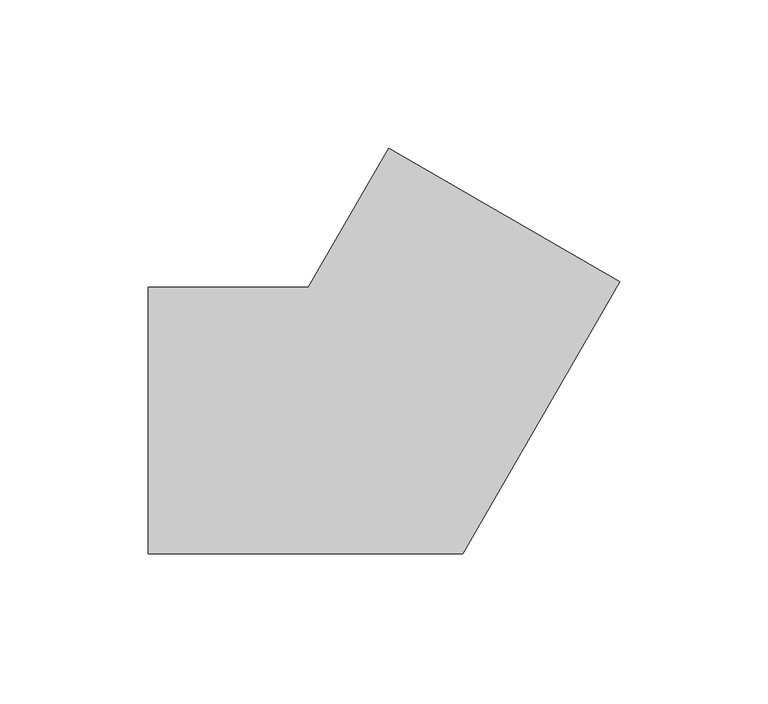
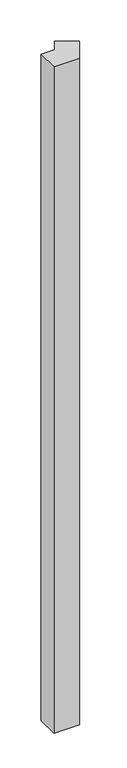
"""IFC4 building model written with IfcOpenShell, lengths in millimetres: member geometry."""

from ifc_helpers import new_model, si_unit, frame, origin, place, context, project, spatial, polyline, outline, extrude, source, transform, mapped, element, save


def member_0b036e86(model_context):
    return source(origin(), model_context, "Body", "SweptSolid", [
        extrude(outline(polyline([(78.9711432, 46.7820323), (25.9807621, -45.0), (-80.0, -45.0), (-80.0, 45.0), (-25.9807621, 45.0), (1.0288568, 91.7820323), (78.9711432, 46.7820323)])), frame((0.0, 0.0, -2910.0), z_axis=(0.0, 0.0, 1.0), x_axis=(1.0, 0.0, 0.0)), (0.0, 0.0, 1.0), 2910.0),
    ])


if __name__ == "__main__":
    model = new_model("IFC4")
    model_context = context("Model", 3, world=origin())
    ifc_project = project(units=[si_unit("LENGTHUNIT", "METRE", prefix="MILLI")], contexts=[model_context])
    site = spatial("IfcSite", under=ifc_project)
    building = spatial("IfcBuilding", under=site)
    placement = place(None, origin())
    member_shape = member_0b036e86(model_context)
    element("IfcMember", 1, at=placement, inside=building, context=model_context, shape_type="MappedRepresentation", body=[
        mapped(member_shape, transform((0.0, 0.0, 0.0), x_axis=(1.0, 0.0, 0.0), y_axis=(0.0, 1.0, 0.0), z_axis=(0.0, 0.0, 1.0))),
    ])
    save(model, "model.ifc")
